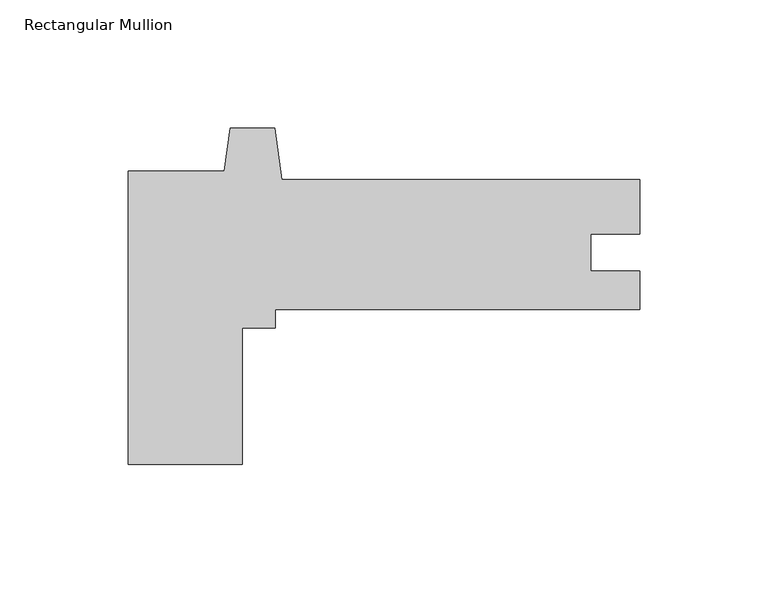
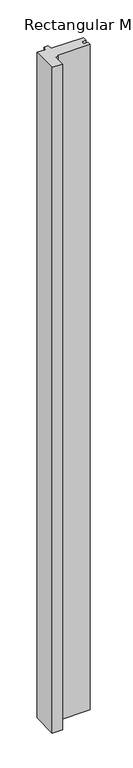
"""IFC4 building model written with IfcOpenShell, lengths in millimetres: member geometry, Rectangular Mullion."""

from ifc_helpers import new_model, si_unit, frame, origin, place, context, project, spatial, polyline, outline, extrude, source, transform, mapped, element, save


def rectangular_mullion_510976b7(model_context):
    return source(origin(), model_context, "Body", "SweptSolid", [
        extrude(outline(polyline([(-154.7812513, -57.0443185), (-199.2312513, -57.0443185), (-199.2312513, 57.2555545), (-161.8189324, 57.2555545), (-159.4593534, 74.0448311), (-142.1656491, 74.0448311), (-139.359853, 54.0805545), (-1.3e-06, 54.0805545), (-1.3e-06, 32.6937479), (-19.0246, 32.6937479), (-19.0246, 18.3808545), (0.0, 18.3808545), (0.0, 3.2805545), (-142.0812513, 3.2805545), (-142.0812513, -3.8822455), (-154.7812513, -3.8822455), (-154.7812513, -57.0443185)])), frame((0.0, 0.0, -3048.0), z_axis=(0.0, 0.0, 1.0), x_axis=(1.0, 0.0, 0.0)), (0.0, 0.0, 1.0), 3048.0),
    ])


if __name__ == "__main__":
    model = new_model("IFC4")
    model_context = context("Model", 3, world=origin())
    ifc_project = project(units=[si_unit("LENGTHUNIT", "METRE", prefix="MILLI")], contexts=[model_context])
    site = spatial("IfcSite", under=ifc_project)
    building = spatial("IfcBuilding", under=site)
    placement = place(None, origin())
    rectangular_mullion_shape = rectangular_mullion_510976b7(model_context)
    element("IfcMember", 1, ObjectType="Rectangular Mullion", at=placement, inside=building, context=model_context, shape_type="MappedRepresentation", body=[
        mapped(rectangular_mullion_shape, transform((0.0, 0.0, 0.0), x_axis=(1.0, 0.0, 0.0), y_axis=(0.0, 1.0, 0.0), z_axis=(0.0, 0.0, 1.0))),
    ])
    save(model, "model.ifc")
